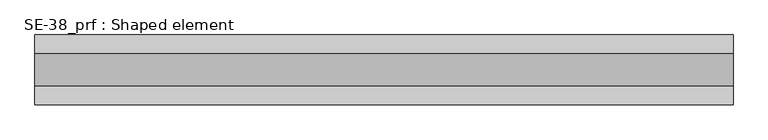
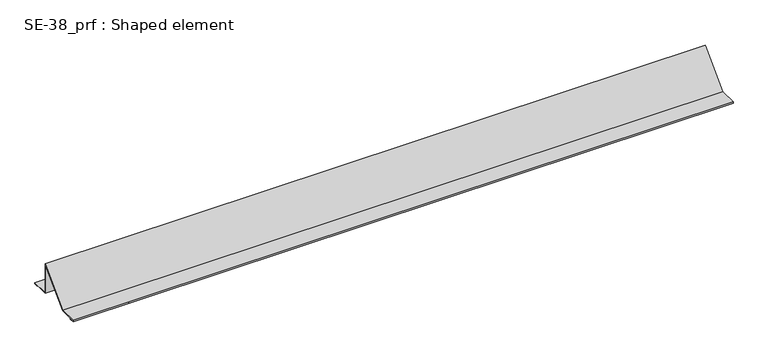
"""IFC4 building model written with IfcOpenShell, lengths in millimetres: proxy geometry, SE-38_prf : Shaped element."""

import ifcopenshell
import ifcopenshell.guid

model = None  # the IFC model being written
_history = None  # IfcOwnerHistory: only IFC2X3 demands one
_inside = {}  # id of a spatial element -> (the spatial element, [elements in it])
_under = {}  # id of a project, library or spatial element -> (it, [spatial elements below it])
_declared = {}  # id of a project -> (the project, [libraries it declares])
_typed = {}  # id of a type object -> (the type object, [elements of that type])
_made_of = {}  # id of a material, layer set ... -> (it, [elements and type objects made of it])


def new_model(schema):
    """Start an empty IFC model of exactly this schema.

    Asked for "IFC4X3", IfcOpenShell would pick the latest addendum, in which some entities
    have other attributes; the version numbers below select the first issue.
    IFC2X3 requires an IfcOwnerHistory on every rooted entity: one is made here for all.
    """
    global model, _history
    if schema == "IFC4X3":
        model = ifcopenshell.file(schema_version=(4, 3, 0, 0))
    else:
        model = ifcopenshell.file(schema=schema)
    _inside.clear()
    _under.clear()
    _declared.clear()
    _typed.clear()
    _made_of.clear()
    _history = None
    if model.schema == "IFC2X3":
        org = make("IfcOrganization", Name="unknown")
        user = make(
            "IfcPersonAndOrganization",
            ThePerson=make("IfcPerson", FamilyName="unknown"),
            TheOrganization=org,
        )
        app = make(
            "IfcApplication",
            ApplicationDeveloper=org,
            Version="unknown",
            ApplicationFullName="unknown",
            ApplicationIdentifier="unknown",
        )
        _history = make(
            "IfcOwnerHistory",
            OwningUser=user,
            OwningApplication=app,
            ChangeAction="ADDED",
            CreationDate=0,
        )
    return model


def make(cls, **values):
    """One entity of the class cls with the attributes given. An attribute that is None is left unset."""
    return model.create_entity(
        cls, **{name: value for name, value in values.items() if value is not None}
    )


def rooted(cls, **values):
    """An entity with a GlobalId (a new one), such as an element, a storey or a relation."""
    return make(cls, GlobalId=ifcopenshell.guid.new(), OwnerHistory=_history, **values)


def si_unit(unit_type, name, prefix=None):
    """IfcSIUnit, for example si_unit("LENGTHUNIT", "METRE", prefix="MILLI")."""
    return make("IfcSIUnit", UnitType=unit_type, Prefix=prefix, Name=name)


def assignment(units):
    """IfcUnitAssignment: the units of a project."""
    return None if units is None else make("IfcUnitAssignment", Units=units)


def point(xyz):
    """IfcCartesianPoint."""
    return None if xyz is None else make("IfcCartesianPoint", Coordinates=xyz)


def direction(xyz):
    """IfcDirection."""
    return None if xyz is None else make("IfcDirection", DirectionRatios=xyz)


def frame(location, z_axis=None, x_axis=None):
    """IfcAxis2Placement3D, a coordinate frame: its origin and axes. An axis left out is left unset."""
    return make(
        "IfcAxis2Placement3D",
        Location=point(location),
        Axis=direction(z_axis),
        RefDirection=direction(x_axis),
    )


def origin():
    """The frame at (0, 0, 0) with its axes left unset."""
    return frame((0.0, 0.0, 0.0))


def place(relative_to, where):
    """IfcLocalPlacement: puts the frame where relative to a parent placement (None: the world)."""
    return make(
        "IfcLocalPlacement", PlacementRelTo=relative_to, RelativePlacement=where
    )


def context(
    kind, dimensions, precision=None, world=None, true_north=None, identifier=None
):
    """IfcGeometricRepresentationContext, for example the 3D "Model" context."""
    return make(
        "IfcGeometricRepresentationContext",
        ContextIdentifier=identifier,
        ContextType=kind,
        CoordinateSpaceDimension=dimensions,
        Precision=precision,
        WorldCoordinateSystem=world,
        TrueNorth=true_north,
    )


def project(units=None, contexts=None):
    """IfcProject with its units and contexts."""
    return rooted(
        "IfcProject",
        Name="project",
        RepresentationContexts=contexts,
        UnitsInContext=assignment(units),
    )


def spatial(cls, under=None, at=None, **own):
    """A site, building, storey or space (cls), placed at a placement, below another one or the project."""
    s = rooted(cls, ObjectPlacement=at, **own)
    if under is not None:
        _under.setdefault(under.id(), (under, []))[1].append(s)
    return s


def polyline(points):
    """IfcPolyline through the points."""
    return make("IfcPolyline", Points=[point(p) for p in points])


def outline(outer, holes=None, kind="AREA"):
    """IfcArbitraryClosedProfileDef: a profile drawn as a closed curve; with holes, ...WithVoids."""
    if holes is None:
        return make("IfcArbitraryClosedProfileDef", ProfileType=kind, OuterCurve=outer)
    return make(
        "IfcArbitraryProfileDefWithVoids",
        ProfileType=kind,
        OuterCurve=outer,
        InnerCurves=holes,
    )


def extrude(swept, where, along, depth):
    """IfcExtrudedAreaSolid: the profile swept, set in the frame where, extruded along a direction by depth."""
    return make(
        "IfcExtrudedAreaSolid",
        SweptArea=swept,
        Position=where,
        ExtrudedDirection=direction(along),
        Depth=depth,
    )


def shape(context_of_items, identifier, shape_type, items):
    """IfcShapeRepresentation: the items that make up one representation, for example the "Body"."""
    return make(
        "IfcShapeRepresentation",
        ContextOfItems=context_of_items,
        RepresentationIdentifier=identifier,
        RepresentationType=shape_type,
        Items=items,
    )


def source(mapping_origin, context_of_items, identifier, shape_type, items):
    """IfcRepresentationMap: a shape defined once, which mapped items show again and again."""
    return make(
        "IfcRepresentationMap",
        MappingOrigin=mapping_origin,
        MappedRepresentation=shape(context_of_items, identifier, shape_type, items),
    )


def transform(
    local_origin,
    x_axis=None,
    y_axis=None,
    z_axis=None,
    scale=None,
    scale2=None,
    scale3=None,
    uniform=True,
):
    """IfcCartesianTransformationOperator3D, or its non-uniform kind. x_axis, y_axis, z_axis: its Axis1, 2, 3."""
    if uniform:
        return make(
            "IfcCartesianTransformationOperator3D",
            Axis1=direction(x_axis),
            Axis2=direction(y_axis),
            LocalOrigin=point(local_origin),
            Scale=scale,
            Axis3=direction(z_axis),
        )
    return make(
        "IfcCartesianTransformationOperator3DnonUniform",
        Axis1=direction(x_axis),
        Axis2=direction(y_axis),
        LocalOrigin=point(local_origin),
        Scale=scale,
        Axis3=direction(z_axis),
        Scale2=scale2,
        Scale3=scale3,
    )


def mapped(mapping_source, mapping_target):
    """IfcMappedItem: shows the shape of a source again, moved by a transform."""
    return make(
        "IfcMappedItem", MappingSource=mapping_source, MappingTarget=mapping_target
    )


def made_of(thing, what):
    """Note that an element or type object is made of a material, layer set ...; save() writes the relation."""
    if what is not None:
        _made_of.setdefault(what.id(), (what, []))[1].append(thing)
    return thing


def element(
    cls,
    number,
    at=None,
    inside=None,
    cuts=None,
    type_object=None,
    material=None,
    context=None,
    identifier="Body",
    shape_type=None,
    held_by="IfcProductDefinitionShape",
    body=None,
    shapes=None,
    **own,
):
    """One element of the class cls, such as IfcWall. Its Tag is "e" and its number.

    at: its placement. inside: the storey or other place that contains it. cuts: it is an
    opening in that element (IfcRelVoidsElement). A single representation is given by context,
    identifier, shape_type and body (its items); several are given by shapes. held_by: the class
    of the entity that holds the representations. save() writes the other relations.
    """
    e = rooted(cls, Tag="e%d" % number, ObjectPlacement=at, **own)
    if body is not None:
        shapes = [shape(context, identifier, shape_type, body)]
    if shapes is not None:
        e.Representation = make(held_by, Representations=shapes)
    if inside is not None:
        _inside.setdefault(inside.id(), (inside, []))[1].append(e)
    if cuts is not None:
        rooted(
            "IfcRelVoidsElement", RelatingBuildingElement=cuts, RelatedOpeningElement=e
        )
    if type_object is not None:
        _typed.setdefault(type_object.id(), (type_object, []))[1].append(e)
    return made_of(e, material)


def aggregate(whole, parts):
    """IfcRelAggregates: a whole, such as a stair, and the parts it consists of."""
    return rooted("IfcRelAggregates", RelatingObject=whole, RelatedObjects=parts)


def save(model, path):
    """Write the relations noted so far, then the file.

    IfcRelAggregates (storeys below a building ...), IfcRelContainedInSpatialStructure (elements
    in a storey), IfcRelDefinesByType, IfcRelAssociatesMaterial and IfcRelDeclares: one each for
    every whole, place, type object, material and project.
    """
    for whole, parts in _under.values():
        aggregate(whole, parts)
    for where, things in _inside.values():
        rooted(
            "IfcRelContainedInSpatialStructure",
            RelatedElements=things,
            RelatingStructure=where,
        )
    for kind, things in _typed.values():
        rooted("IfcRelDefinesByType", RelatedObjects=things, RelatingType=kind)
    for what, things in _made_of.values():
        rooted("IfcRelAssociatesMaterial", RelatedObjects=things, RelatingMaterial=what)
    for by, libraries in _declared.values():
        rooted("IfcRelDeclares", RelatingContext=by, RelatedDefinitions=libraries)
    model.write(path)


def se_38_prf_shaped_element_b8c1296d(model_context):
    return source(origin(), model_context, "Body", "SweptSolid", [
        extrude(outline(polyline([(20.0, 2.0), (10.0, 2.0), (10.0, 3.0), (19.0, 3.0), (19.0, 4.0), (-21.0, 4.0), (-21.0, 72.5857864), (-89.5857864, 4.0), (-129.0, 4.0), (-129.0, 3.0), (-120.0, 3.0), (-120.0, 2.0), (-130.0, 2.0), (-130.0, 5.0), (-90.0, 5.0), (-20.0, 75.0), (-20.0, 5.0), (20.0, 5.0), (20.0, 2.0)])), frame((0.0, 0.0, 0.0), z_axis=(1.0, 0.0, 0.0), x_axis=(0.0, 1.0, 0.0)), (0.0, 0.0, 1.0), 1500.0),
    ])


if __name__ == "__main__":
    model = new_model("IFC4")
    model_context = context("Model", 3, world=origin())
    ifc_project = project(units=[si_unit("LENGTHUNIT", "METRE", prefix="MILLI")], contexts=[model_context])
    site = spatial("IfcSite", under=ifc_project)
    building = spatial("IfcBuilding", under=site)
    placement = place(None, origin())
    se_38_prf_shaped_element_shape = se_38_prf_shaped_element_b8c1296d(model_context)
    element("IfcBuildingElementProxy", 1, Name="SE-38_prf : Shaped element", ObjectType="SE-38_prf : Shaped element", at=placement, inside=building, context=model_context, shape_type="MappedRepresentation", body=[
        mapped(se_38_prf_shaped_element_shape, transform((0.0, 0.0, 0.0), x_axis=(1.0, 0.0, 0.0), y_axis=(0.0, 1.0, 0.0), z_axis=(0.0, 0.0, 1.0))),
    ])
    save(model, "model.ifc")
